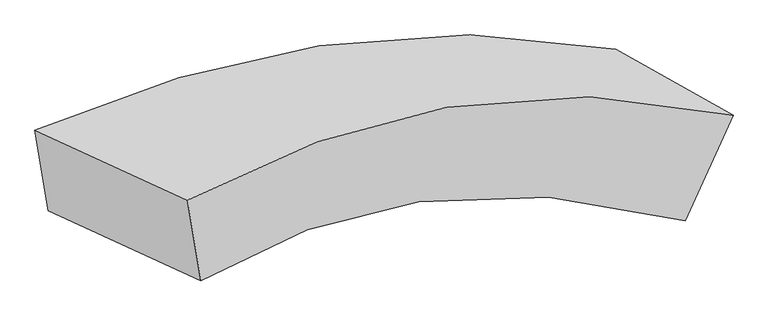
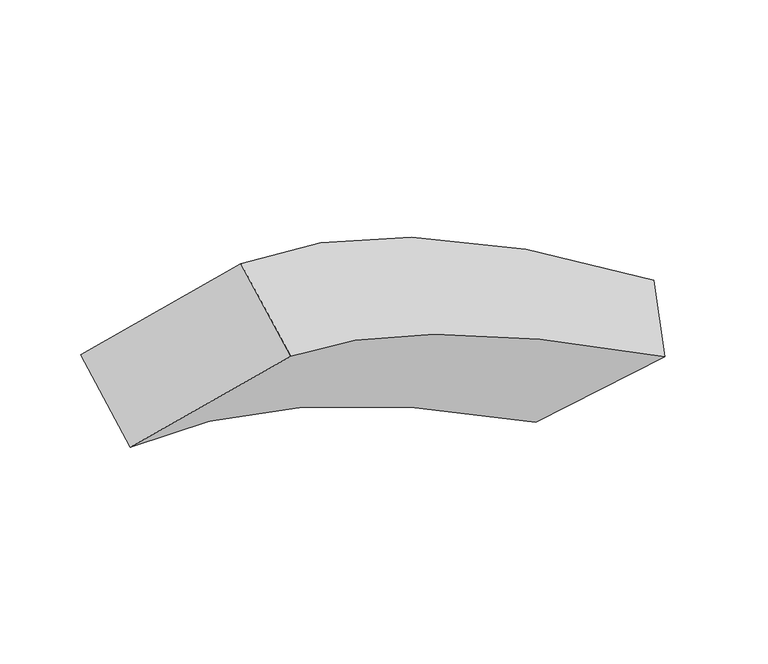
"""IFC4 building model written with IfcOpenShell, lengths in millimetres: proxy geometry."""

import ifcopenshell
import ifcopenshell.guid

model = None  # the IFC model being written
_history = None  # IfcOwnerHistory: only IFC2X3 demands one
_inside = {}  # id of a spatial element -> (the spatial element, [elements in it])
_under = {}  # id of a project, library or spatial element -> (it, [spatial elements below it])
_declared = {}  # id of a project -> (the project, [libraries it declares])
_typed = {}  # id of a type object -> (the type object, [elements of that type])
_made_of = {}  # id of a material, layer set ... -> (it, [elements and type objects made of it])


def new_model(schema):
    """Start an empty IFC model of exactly this schema.

    Asked for "IFC4X3", IfcOpenShell would pick the latest addendum, in which some entities
    have other attributes; the version numbers below select the first issue.
    IFC2X3 requires an IfcOwnerHistory on every rooted entity: one is made here for all.
    """
    global model, _history
    if schema == "IFC4X3":
        model = ifcopenshell.file(schema_version=(4, 3, 0, 0))
    else:
        model = ifcopenshell.file(schema=schema)
    _inside.clear()
    _under.clear()
    _declared.clear()
    _typed.clear()
    _made_of.clear()
    _history = None
    if model.schema == "IFC2X3":
        org = make("IfcOrganization", Name="unknown")
        user = make(
            "IfcPersonAndOrganization",
            ThePerson=make("IfcPerson", FamilyName="unknown"),
            TheOrganization=org,
        )
        app = make(
            "IfcApplication",
            ApplicationDeveloper=org,
            Version="unknown",
            ApplicationFullName="unknown",
            ApplicationIdentifier="unknown",
        )
        _history = make(
            "IfcOwnerHistory",
            OwningUser=user,
            OwningApplication=app,
            ChangeAction="ADDED",
            CreationDate=0,
        )
    return model


def make(cls, **values):
    """One entity of the class cls with the attributes given. An attribute that is None is left unset."""
    return model.create_entity(
        cls, **{name: value for name, value in values.items() if value is not None}
    )


def rooted(cls, **values):
    """An entity with a GlobalId (a new one), such as an element, a storey or a relation."""
    return make(cls, GlobalId=ifcopenshell.guid.new(), OwnerHistory=_history, **values)


def si_unit(unit_type, name, prefix=None):
    """IfcSIUnit, for example si_unit("LENGTHUNIT", "METRE", prefix="MILLI")."""
    return make("IfcSIUnit", UnitType=unit_type, Prefix=prefix, Name=name)


def assignment(units):
    """IfcUnitAssignment: the units of a project."""
    return None if units is None else make("IfcUnitAssignment", Units=units)


def point(xyz):
    """IfcCartesianPoint."""
    return None if xyz is None else make("IfcCartesianPoint", Coordinates=xyz)


def direction(xyz):
    """IfcDirection."""
    return None if xyz is None else make("IfcDirection", DirectionRatios=xyz)


def frame(location, z_axis=None, x_axis=None):
    """IfcAxis2Placement3D, a coordinate frame: its origin and axes. An axis left out is left unset."""
    return make(
        "IfcAxis2Placement3D",
        Location=point(location),
        Axis=direction(z_axis),
        RefDirection=direction(x_axis),
    )


def origin():
    """The frame at (0, 0, 0) with its axes left unset."""
    return frame((0.0, 0.0, 0.0))


def place(relative_to, where):
    """IfcLocalPlacement: puts the frame where relative to a parent placement (None: the world)."""
    return make(
        "IfcLocalPlacement", PlacementRelTo=relative_to, RelativePlacement=where
    )


def context(
    kind, dimensions, precision=None, world=None, true_north=None, identifier=None
):
    """IfcGeometricRepresentationContext, for example the 3D "Model" context."""
    return make(
        "IfcGeometricRepresentationContext",
        ContextIdentifier=identifier,
        ContextType=kind,
        CoordinateSpaceDimension=dimensions,
        Precision=precision,
        WorldCoordinateSystem=world,
        TrueNorth=true_north,
    )


def project(units=None, contexts=None):
    """IfcProject with its units and contexts."""
    return rooted(
        "IfcProject",
        Name="project",
        RepresentationContexts=contexts,
        UnitsInContext=assignment(units),
    )


def spatial(cls, under=None, at=None, **own):
    """A site, building, storey or space (cls), placed at a placement, below another one or the project."""
    s = rooted(cls, ObjectPlacement=at, **own)
    if under is not None:
        _under.setdefault(under.id(), (under, []))[1].append(s)
    return s


def shape(context_of_items, identifier, shape_type, items):
    """IfcShapeRepresentation: the items that make up one representation, for example the "Body"."""
    return make(
        "IfcShapeRepresentation",
        ContextOfItems=context_of_items,
        RepresentationIdentifier=identifier,
        RepresentationType=shape_type,
        Items=items,
    )


def source(mapping_origin, context_of_items, identifier, shape_type, items):
    """IfcRepresentationMap: a shape defined once, which mapped items show again and again."""
    return make(
        "IfcRepresentationMap",
        MappingOrigin=mapping_origin,
        MappedRepresentation=shape(context_of_items, identifier, shape_type, items),
    )


def transform(
    local_origin,
    x_axis=None,
    y_axis=None,
    z_axis=None,
    scale=None,
    scale2=None,
    scale3=None,
    uniform=True,
):
    """IfcCartesianTransformationOperator3D, or its non-uniform kind. x_axis, y_axis, z_axis: its Axis1, 2, 3."""
    if uniform:
        return make(
            "IfcCartesianTransformationOperator3D",
            Axis1=direction(x_axis),
            Axis2=direction(y_axis),
            LocalOrigin=point(local_origin),
            Scale=scale,
            Axis3=direction(z_axis),
        )
    return make(
        "IfcCartesianTransformationOperator3DnonUniform",
        Axis1=direction(x_axis),
        Axis2=direction(y_axis),
        LocalOrigin=point(local_origin),
        Scale=scale,
        Axis3=direction(z_axis),
        Scale2=scale2,
        Scale3=scale3,
    )


def mapped(mapping_source, mapping_target):
    """IfcMappedItem: shows the shape of a source again, moved by a transform."""
    return make(
        "IfcMappedItem", MappingSource=mapping_source, MappingTarget=mapping_target
    )


def made_of(thing, what):
    """Note that an element or type object is made of a material, layer set ...; save() writes the relation."""
    if what is not None:
        _made_of.setdefault(what.id(), (what, []))[1].append(thing)
    return thing


def element(
    cls,
    number,
    at=None,
    inside=None,
    cuts=None,
    type_object=None,
    material=None,
    context=None,
    identifier="Body",
    shape_type=None,
    held_by="IfcProductDefinitionShape",
    body=None,
    shapes=None,
    **own,
):
    """One element of the class cls, such as IfcWall. Its Tag is "e" and its number.

    at: its placement. inside: the storey or other place that contains it. cuts: it is an
    opening in that element (IfcRelVoidsElement). A single representation is given by context,
    identifier, shape_type and body (its items); several are given by shapes. held_by: the class
    of the entity that holds the representations. save() writes the other relations.
    """
    e = rooted(cls, Tag="e%d" % number, ObjectPlacement=at, **own)
    if body is not None:
        shapes = [shape(context, identifier, shape_type, body)]
    if shapes is not None:
        e.Representation = make(held_by, Representations=shapes)
    if inside is not None:
        _inside.setdefault(inside.id(), (inside, []))[1].append(e)
    if cuts is not None:
        rooted(
            "IfcRelVoidsElement", RelatingBuildingElement=cuts, RelatedOpeningElement=e
        )
    if type_object is not None:
        _typed.setdefault(type_object.id(), (type_object, []))[1].append(e)
    return made_of(e, material)


def aggregate(whole, parts):
    """IfcRelAggregates: a whole, such as a stair, and the parts it consists of."""
    return rooted("IfcRelAggregates", RelatingObject=whole, RelatedObjects=parts)


def save(model, path):
    """Write the relations noted so far, then the file.

    IfcRelAggregates (storeys below a building ...), IfcRelContainedInSpatialStructure (elements
    in a storey), IfcRelDefinesByType, IfcRelAssociatesMaterial and IfcRelDeclares: one each for
    every whole, place, type object, material and project.
    """
    for whole, parts in _under.values():
        aggregate(whole, parts)
    for where, things in _inside.values():
        rooted(
            "IfcRelContainedInSpatialStructure",
            RelatedElements=things,
            RelatingStructure=where,
        )
    for kind, things in _typed.values():
        rooted("IfcRelDefinesByType", RelatedObjects=things, RelatingType=kind)
    for what, things in _made_of.values():
        rooted("IfcRelAssociatesMaterial", RelatedObjects=things, RelatingMaterial=what)
    for by, libraries in _declared.values():
        rooted("IfcRelDeclares", RelatingContext=by, RelatedDefinitions=libraries)
    model.write(path)


def plane_surface(at):
    """IfcPlane: the flat surface through the origin of the frame at, square to its z axis."""
    return make("IfcPlane", Position=at)


def spline_curve(degree, points, multiplicities, knots, weights=None):
    """IfcBSplineCurveWithKnots; with weights, IfcRationalBSplineCurveWithKnots."""
    own = dict(
        Degree=degree,
        ControlPointsList=[point(p) for p in points],
        CurveForm="UNSPECIFIED",
        ClosedCurve=False,
        SelfIntersect=False,
        KnotMultiplicities=multiplicities,
        Knots=knots,
        KnotSpec="UNSPECIFIED",
    )
    if weights is None:
        return make("IfcBSplineCurveWithKnots", **own)
    return make("IfcRationalBSplineCurveWithKnots", WeightsData=weights, **own)


def spline_surface(u_degree, v_degree, points, u_multiplicities, v_multiplicities, u_knots, v_knots, weights=None):
    """IfcBSplineSurfaceWithKnots; with weights, IfcRationalBSplineSurfaceWithKnots. points: one row for each step in u."""
    own = dict(
        UDegree=u_degree,
        VDegree=v_degree,
        ControlPointsList=[[point(p) for p in row] for row in points],
        SurfaceForm="UNSPECIFIED",
        UClosed=False,
        VClosed=False,
        SelfIntersect=False,
        UMultiplicities=u_multiplicities,
        VMultiplicities=v_multiplicities,
        UKnots=u_knots,
        VKnots=v_knots,
        KnotSpec="UNSPECIFIED",
    )
    if weights is None:
        return make("IfcBSplineSurfaceWithKnots", **own)
    return make("IfcRationalBSplineSurfaceWithKnots", WeightsData=weights, **own)


def advanced_brep(points, edges, surfaces, faces):
    """IfcAdvancedBrep: a solid bounded by faces that lie on surfaces and meet in shared edges.

    An edge is (start, end): straight between two places in points (the first is 0);
    or (start, end, curve); or (start, end, curve, False) where it runs against its curve.
    A face is (place in surfaces, loops), or (place, loops, False) where it looks against
    its surface's normal. A loop lists edges by number (the first is 1), with a minus sign
    where the edge is run from its end to its start. The first loop is the outer one.
    """
    corners = [point(p) for p in points]
    vertices = [make("IfcVertexPoint", VertexGeometry=c) for c in corners]
    made = []
    for start, end, *more in edges:
        made.append(
            make(
                "IfcEdgeCurve",
                EdgeStart=vertices[start],
                EdgeEnd=vertices[end],
                EdgeGeometry=more[0] if more else make("IfcPolyline", Points=[corners[start], corners[end]]),
                SameSense=more[1] if len(more) > 1 else True,
            )
        )
    hull = []
    for where, loops, *sense in faces:
        bounds = []
        for j, loop in enumerate(loops):
            ring = [make("IfcOrientedEdge", EdgeElement=made[abs(k) - 1], Orientation=k > 0) for k in loop]
            bounds.append(
                make(
                    "IfcFaceOuterBound" if j == 0 else "IfcFaceBound",
                    Bound=make("IfcEdgeLoop", EdgeList=ring),
                    Orientation=True,
                )
            )
        hull.append(make("IfcAdvancedFace", Bounds=bounds, FaceSurface=surfaces[where], SameSense=sense[0] if sense else True))
    return make("IfcAdvancedBrep", Outer=make("IfcClosedShell", CfsFaces=hull))


def generic_models_31e1713e(model_context):
    return source(origin(), model_context, "Body", "AdvancedBrep", [
        advanced_brep(
        [(11710.9165081, -2923.7975895, 1326.3137521), (11070.1404035, -2564.6255779, 879.0985357), (7895.8073931, -3007.0009414, 2196.6020501), (8729.2702845, -3388.9853803, 2767.4150643), (11449.8812599, -3501.2141544, 1236.5880044), (8802.5914137, -3828.8574587, 2365.99687), (10809.1051553, -3142.0421428, 789.372788), (7969.1285223, -3446.8730198, 1795.1838559)],
        [
            (0, 1),
            (1, 2, spline_curve(3, [(11070.1404035, -2564.6255779, 879.0985357), (10546.354476319, -2466.232767941, 1184.75539366), (10006.417820666, -2459.922071703, 1450.854850915), (8945.46834173, -2623.563872281, 1883.070512636), (8427.293993895, -2777.333022814, 2056.138893528), (7895.8073931, -3007.0009414, 2196.6020501)], [4, 2, 4], [0.0, 5.946851735020062, 11.345895322143685])),
            (2, 3),
            (3, 0, spline_curve(3, [(8729.2702845, -3388.9853803, 2767.4150643), (9201.13593912, -3133.14726461, 2581.244145523), (9673.516391528, -2963.939340158, 2374.889215369), (10667.288699359, -2790.405213425, 1898.825802294), (11188.790321468, -2804.550540859, 1624.813628312), (11710.9165081, -2923.7975895, 1326.3137521)], [4, 2, 4], [0.0, 5.399043587123622, 11.345895322143685])),
            (4, 0),
            (3, 5),
            (5, 4, spline_curve(3, [(8802.5914137, -3828.8574587, 2365.99687), (9179.332310817, -3602.000999477, 2194.786883173), (9576.616561798, -3458.365485634, 2019.800301842), (10454.666199717, -3331.406450009, 1644.13593583), (10939.811897419, -3365.827528872, 1442.652895494), (11449.8812599, -3501.2141544, 1236.5880044)], [4, 2, 4], [0.0, 4.965250373933071, 10.434294534171816])),
            (6, 4),
            (5, 7),
            (7, 6, spline_curve(3, [(7969.1285223, -3446.8730198, 1795.1838559), (8405.490365673, -3246.186757812, 1669.681631287), (8848.568512075, -3117.990017624, 1527.981599002), (9793.795320942, -3000.923308224, 1196.164984569), (10297.37605222, -3027.509756076, 1002.594660854), (10809.1051553, -3142.0421428, 789.372788)], [4, 2, 4], [0.0, 0.4758587518947365, 1.0])),
            (1, 6),
            (7, 2),
        ],
        [
            spline_surface(3, 3, [[(11710.9165081, -2923.7975895, 1326.3137521), (11188.79032156, -2804.550540791, 1624.813628398), (10667.288699408, -2790.405213398, 1898.825802282), (9673.516391483, -2963.939340183, 2374.889215379), (9201.135939099, -3133.147264548, 2581.244145608), (8729.2702845, -3388.9853803, 2767.4150643)], [(11497.324473222, -2804.07358561, 1177.242013306), (10974.64503981, -2691.777949825, 1478.127550179), (10446.99840651, -2680.244166182, 1749.502151826), (9430.833708233, -2850.480850854, 2210.949647784), (8943.188624025, -3014.542517331, 2406.209061613), (8451.449320701, -3261.657233999, 2577.144059591)], [(11283.732438378, -2684.34958179, 1028.170274494), (10760.499758094, -2579.005358927, 1331.441471944), (10226.708113587, -2570.083118988, 1600.178501392), (9188.15102496, -2737.022361548, 2047.010080212), (8685.241308949, -2895.93777012, 2231.173977545), (8173.628356899, -3134.329087701, 2386.873054809)], [(11070.1404035, -2564.6255779, 879.0985357), (10546.354476344, -2466.232767961, 1184.755393725), (10006.417820688, -2459.922071772, 1450.854850936), (8945.46834171, -2623.563872218, 1883.070512617), (8427.293993874, -2777.333022903, 2056.13889355), (7895.8073931, -3007.0009414, 2196.6020501)]], [4, 4], [4, 2, 4], [0.0, 2.9510804429620956], [0.0, 5.946851735020062, 11.345895322143685]),
            spline_surface(3, 3, [[(11449.8812599, -3501.2141544, 1236.5880044), (10939.811897428, -3365.827528902, 1442.652895534), (10454.66619967, -3331.406449947, 1644.135935913), (9576.616561841, -3458.365485691, 2019.800301766), (9179.332310891, -3602.00099945, 2194.786883246), (8802.5914137, -3828.8574587, 2365.99687)], [(11536.893009292, -3308.741966104, 1266.496586975), (11022.804705464, -3178.735199536, 1503.37313983), (10525.540366239, -3151.072704437, 1729.032558058), (9608.916505044, -3293.556770528, 2138.163272993), (9186.600186967, -3445.716421153, 2323.605970681), (8778.151037306, -3682.23343257, 2499.802934748)], [(11623.904758708, -3116.269777796, 1296.405169525), (11105.797513524, -2991.642870157, 1564.093384102), (10596.41453284, -2970.738958908, 1813.929180137), (9641.21644828, -3128.748055346, 2256.526244153), (9193.868063024, -3289.431842845, 2452.425058174), (8753.710660894, -3535.60940643, 2633.608999552)], [(11710.9165081, -2923.7975895, 1326.3137521), (11188.79032156, -2804.550540791, 1624.813628398), (10667.288699408, -2790.405213398, 1898.825802282), (9673.516391483, -2963.939340183, 2374.889215379), (9201.135939099, -3133.147264548, 2581.244145608), (8729.2702845, -3388.9853803, 2767.4150643)]], [4, 4], [4, 2, 4], [0.0, 2.038203886673789], [0.0, 5.469044160238744, 10.434294534171816]),
            spline_surface(3, 3, [[(10809.1051553, -3142.0421428, 789.372788), (10297.376052212, -3027.509756073, 1002.594660861), (9793.79532095, -3000.923308221, 1196.164984567), (8848.568512068, -3117.990017626, 1527.981599004), (8405.490365666, -3246.186757806, 1669.681631288), (7969.1285223, -3446.8730198, 1795.1838559)], [(11022.697190178, -3261.76614669, 938.444526794), (10511.521333962, -3140.282347039, 1149.28073908), (10014.085613849, -3111.084355437, 1345.488635023), (9091.251195318, -3231.448506955, 1691.921166599), (8663.437680741, -3364.791505022, 1844.716715283), (8246.949486099, -3574.201166101, 1985.454860609)], [(11236.289225022, -3381.49015051, 1087.516265606), (10725.666615678, -3253.054937936, 1295.966817315), (10234.375906772, -3221.24540273, 1494.812285457), (9333.933878591, -3344.906996361, 1855.860734171), (8921.384995817, -3483.396252234, 2019.751799251), (8524.770449901, -3701.529312399, 2175.725865291)], [(11449.8812599, -3501.2141544, 1236.5880044), (10939.811897428, -3365.827528902, 1442.652895534), (10454.66619967, -3331.406449947, 1644.135935913), (9576.616561841, -3458.365485691, 2019.800301766), (9179.332310891, -3602.00099945, 2194.786883246), (8802.5914137, -3828.8574587, 2365.99687)]], [4, 4], [4, 2, 4], [0.0, 1.0], [0.0, 0.5241412481052635, 1.0]),
            spline_surface(3, 3, [[(11070.1404035, -2564.6255779, 879.0985357), (10546.354476344, -2466.232767961, 1184.755393725), (10006.417820688, -2459.922071772, 1450.854850936), (8945.46834171, -2623.563872218, 1883.070512617), (8427.293993874, -2777.333022903, 2056.13889355), (7895.8073931, -3007.0009414, 2196.6020501)], [(10983.128654108, -2757.097766196, 849.189953125), (10463.361668308, -2653.325097328, 1124.035149429), (9935.54365412, -2640.255817282, 1365.958228791), (8913.168398507, -2788.372587381, 1764.707541391), (8420.026117799, -2933.617601201, 1927.319806115), (7920.247769494, -3153.62496753, 2062.795985352)], [(10896.116904692, -2949.569954504, 819.281370575), (10380.368860248, -2840.417426707, 1063.314905157), (9864.669487518, -2820.589562711, 1281.061606712), (8880.868455271, -2953.181302463, 1646.344570231), (8412.758241742, -3089.902179509, 1798.500718723), (7944.688145906, -3300.24899367, 1928.989920648)], [(10809.1051553, -3142.0421428, 789.372788), (10297.376052212, -3027.509756073, 1002.594660861), (9793.79532095, -3000.923308221, 1196.164984567), (8848.568512068, -3117.990017626, 1527.981599004), (8405.490365666, -3246.186757806, 1669.681631288), (7969.1285223, -3446.8730198, 1795.1838559)]], [4, 4], [4, 2, 4], [0.0, 2.0382038866737884], [0.0, 5.663543896620611, 10.805377209090018]),
            plane_surface(frame((8349.1994034, -3417.9292, 2281.2994601), z_axis=(-0.6241052632558903, -0.5808947894766026, 0.5225455615879153), x_axis=(-0.12220188196977513, 0.7331201306485081, 0.66903032373799))),
            plane_surface(frame((11260.0108317, -3032.9198661, 1057.8432701), z_axis=(0.5277188432370433, -0.10763957101109435, -0.8425713888123098), x_axis=(0.7450884937594835, -0.4176418740336063, 0.5200176934690987))),
        ],
        [
            (0, [[1, 2, 3, 4]]),
            (1, [[5, -4, 6, 7]]),
            (2, [[8, -7, 9, 10]]),
            (3, [[11, -10, 12, -2]]),
            (4, [[-6, -3, -12, -9]]),
            (5, [[-1, -5, -8, -11]]),
        ],
    ),
    ])


if __name__ == "__main__":
    model = new_model("IFC4")
    model_context = context("Model", 3, world=origin())
    ifc_project = project(units=[si_unit("LENGTHUNIT", "METRE", prefix="MILLI")], contexts=[model_context])
    site = spatial("IfcSite", under=ifc_project)
    building = spatial("IfcBuilding", under=site)
    placement = place(None, origin())
    generic_models_shape = generic_models_31e1713e(model_context)
    element("IfcBuildingElementProxy", 1, Name="Generic Models", at=placement, inside=building, context=model_context, shape_type="MappedRepresentation", body=[
        mapped(generic_models_shape, transform((0.0, 0.0, 0.0), x_axis=(1.0, 0.0, 0.0), y_axis=(0.0, 1.0, 0.0), z_axis=(0.0, 0.0, 1.0))),
    ])
    save(model, "model.ifc")
